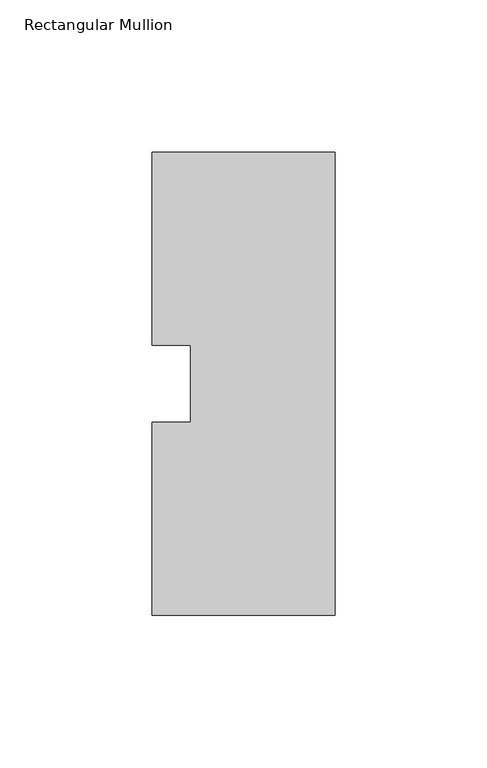
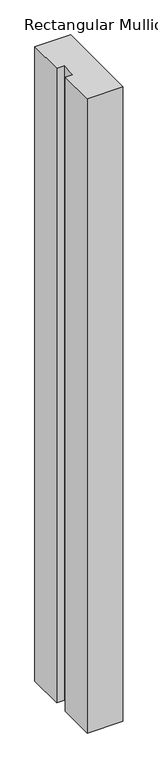
"""IFC4 building model written with IfcOpenShell, lengths in millimetres: member geometry, Rectangular Mullion."""

from ifc_helpers import new_model, si_unit, frame, origin, place, context, project, spatial, polyline, outline, extrude, source, transform, mapped, element, save


def rectangular_mullion_5d6189aa(model_context):
    return source(origin(), model_context, "Body", "SweptSolid", [
        extrude(outline(polyline([(-60.325, 76.2), (0.0, 76.2), (0.0, -76.2), (-60.325, -76.2), (-60.325, -12.7), (-47.625, -12.7), (-47.625, 12.7), (-60.325, 12.7), (-60.325, 76.2)])), frame((0.0, 0.0, -1130.3), z_axis=(0.0, 0.0, 1.0), x_axis=(1.0, 0.0, 0.0)), (0.0, 0.0, 1.0), 1130.3),
    ])


if __name__ == "__main__":
    model = new_model("IFC4")
    model_context = context("Model", 3, world=origin())
    ifc_project = project(units=[si_unit("LENGTHUNIT", "METRE", prefix="MILLI")], contexts=[model_context])
    site = spatial("IfcSite", under=ifc_project)
    building = spatial("IfcBuilding", under=site)
    placement = place(None, origin())
    rectangular_mullion_shape = rectangular_mullion_5d6189aa(model_context)
    element("IfcMember", 1, ObjectType="Rectangular Mullion", at=placement, inside=building, context=model_context, shape_type="MappedRepresentation", body=[
        mapped(rectangular_mullion_shape, transform((0.0, 0.0, 0.0), x_axis=(1.0, 0.0, 0.0), y_axis=(0.0, 1.0, 0.0), z_axis=(0.0, 0.0, 1.0))),
    ])
    save(model, "model.ifc")
